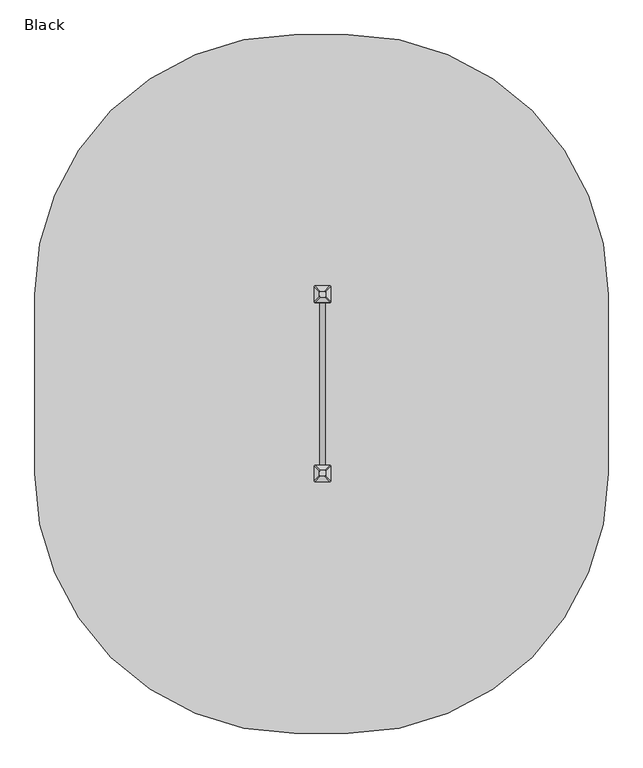
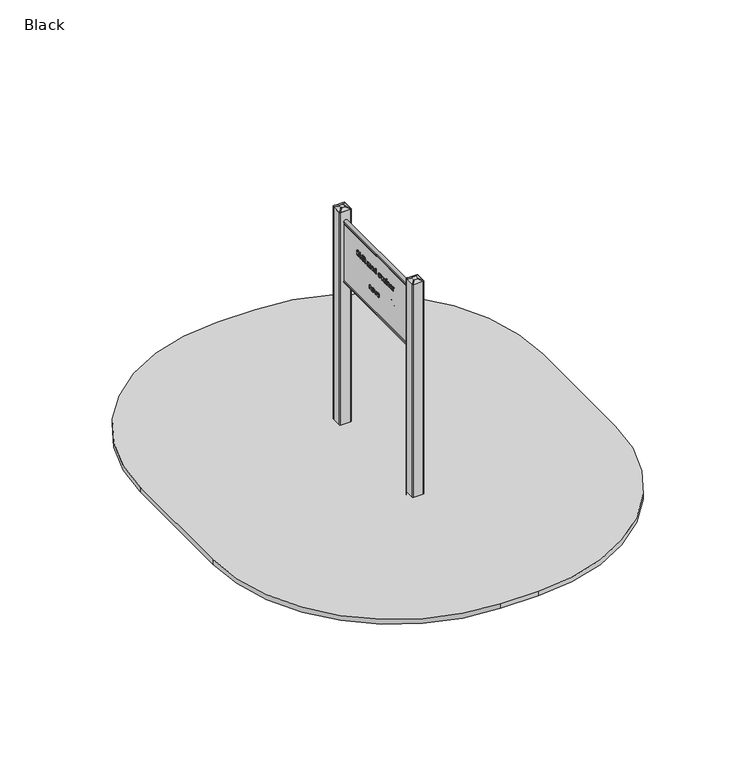
"""IFC4 building model written with IfcOpenShell, lengths in millimetres: furniture geometry, Black."""

from ifc_helpers import new_model, si_unit, point, frame, frame_2d, origin, place, context, project, spatial, polyline, circle_curve, trimmed, segment, composite_curve, outline, extrude, source, transform, mapped, element, save
from ifc_brep_helpers import plane_surface, cylinder_surface, extruded_surface, advanced_brep


def black_21d32c5f(model_context):
    return source(origin(), model_context, "Body", "SolidModel", [
        advanced_brep(
        [(17.5, -791.0000267, 1865.0), (12.5, -786.0000267, 1865.0), (-12.5, -786.0000267, 1865.0), (-17.5, -791.0000267, 1865.0), (-17.5, -816.0000267, 1865.0), (-12.5, -821.0000267, 1865.0), (12.5, -821.0000267, 1865.0), (17.5, -816.0000267, 1865.0), (47.5, -761.0000267, 1850.0), (47.5, -846.0000267, 1850.0), (42.5, -851.0000267, 1850.0), (-42.5, -851.0000267, 1850.0), (-47.5, -846.0000267, 1850.0), (-47.5, -761.0000267, 1850.0), (-42.5, -756.0000267, 1850.0), (42.5, -756.0000267, 1850.0)],
        [
            (0, 1, circle_curve(frame((12.5, -791.0000267, 1865.0), z_axis=(0.0, 0.0, 1.0), x_axis=(1.0, 0.0, 0.0)), 5.0)),
            (1, 2),
            (2, 3, circle_curve(frame((-12.5, -791.0000267, 1865.0), z_axis=(0.0, 0.0, 1.0), x_axis=(1.0, 0.0, 0.0)), 5.0)),
            (3, 4),
            (4, 5, circle_curve(frame((-12.5, -816.0000267, 1865.0), z_axis=(0.0, 0.0, 1.0), x_axis=(1.0, 0.0, 0.0)), 5.0)),
            (5, 6),
            (6, 7, circle_curve(frame((12.5, -816.0000267, 1865.0), z_axis=(0.0, 0.0, 1.0), x_axis=(1.0, 0.0, 0.0)), 5.0)),
            (7, 0),
            (8, 9),
            (9, 10, circle_curve(frame((42.5, -846.0000267, 1850.0), z_axis=(0.0, 0.0, -1.0), x_axis=(1.0, 0.0, 0.0)), 5.0)),
            (10, 11),
            (11, 12, circle_curve(frame((-42.5, -846.0000267, 1850.0), z_axis=(0.0, 0.0, -1.0), x_axis=(1.0, 0.0, 0.0)), 5.0)),
            (12, 13),
            (13, 14, circle_curve(frame((-42.5, -761.0000267, 1850.0), z_axis=(0.0, 0.0, -1.0), x_axis=(1.0, 0.0, 0.0)), 5.0)),
            (14, 15),
            (15, 8, circle_curve(frame((42.5, -761.0000267, 1850.0), z_axis=(0.0, 0.0, -1.0), x_axis=(1.0, 0.0, 0.0)), 5.0)),
            (8, 0),
            (7, 9),
            (6, 10),
            (5, 11),
            (4, 12),
            (3, 13),
            (2, 14),
            (1, 15),
        ],
        [
            plane_surface(frame((0.0, -803.5000267, 1865.0), z_axis=(0.0, 0.0, 1.0), x_axis=(-1.0, 0.0, 0.0))),
            plane_surface(frame((0.0, -803.5000267, 1850.0), z_axis=(0.0, 0.0, -1.0), x_axis=(-1.0, 0.0, 0.0))),
            plane_surface(frame((47.5, -803.5000267, 1850.0), z_axis=(0.447213595499958, 0.0, 0.894427190999916), x_axis=(0.0, -1.0, 0.0))),
            extruded_surface(trimmed(circle_curve(frame((12.5, -816.0000267, 1865.0), z_axis=(0.0, 0.0, -1.0), x_axis=(1.0, 0.0, 0.0)), 5.0), [point((17.5, -816.0000267, 1865.0))], [point((12.5, -821.0000267, 1865.0))], True, "CARTESIAN"), (30.0, -30.0, -15.0), 45.0),
            plane_surface(frame((0.0, -851.0000267, 1850.0), z_axis=(0.0, -0.447213595499958, 0.894427190999916), x_axis=(-1.0, 0.0, 0.0))),
            extruded_surface(trimmed(circle_curve(frame((-12.5, -816.0000267, 1865.0), z_axis=(0.0, 0.0, -1.0), x_axis=(1.0, 0.0, 0.0)), 5.0), [point((-12.5, -821.0000267, 1865.0))], [point((-17.5, -816.0000267, 1865.0))], True, "CARTESIAN"), (-30.0, -30.0, -15.0), 45.0),
            plane_surface(frame((-47.5, -803.5000267, 1850.0), z_axis=(-0.447213595499958, 0.0, 0.894427190999916), x_axis=(0.0, 1.0, 0.0))),
            extruded_surface(trimmed(circle_curve(frame((-12.5, -791.0000267, 1865.0), z_axis=(0.0, 0.0, -1.0), x_axis=(1.0, 0.0, 0.0)), 5.0), [point((-17.5, -791.0000267, 1865.0))], [point((-12.5, -786.0000267, 1865.0))], True, "CARTESIAN"), (-30.0, 30.0, -15.0), 45.0),
            plane_surface(frame((0.0, -756.0000267, 1850.0), z_axis=(0.0, 0.447213595499958, 0.894427190999916), x_axis=(1.0, 0.0, 0.0))),
            extruded_surface(trimmed(circle_curve(frame((12.5, -791.0000267, 1865.0), z_axis=(0.0, 0.0, -1.0), x_axis=(1.0, 0.0, 0.0)), 5.0), [point((12.5, -786.0000267, 1865.0))], [point((17.5, -791.0000267, 1865.0))], True, "CARTESIAN"), (30.0, 30.0, -15.0), 45.0),
        ],
        [
            (0, [[1, 2, 3, 4, 5, 6, 7, 8]]),
            (1, [[9, 10, 11, 12, 13, 14, 15, 16]]),
            (2, [[17, -8, 18, -9]]),
            (3, [[-18, -7, 19, -10]]),
            (4, [[-19, -6, 20, -11]]),
            (5, [[-20, -5, 21, -12]]),
            (6, [[-21, -4, 22, -13]]),
            (7, [[-22, -3, 23, -14]]),
            (8, [[-23, -2, 24, -15]]),
            (9, [[-24, -1, -17, -16]]),
        ],
    ),
        extrude(outline(composite_curve([segment(trimmed(circle_curve(frame_2d((42.5, -846.0)), 5.0), [point((47.5, -846.0))], [point((42.5, -851.0))], False, "CARTESIAN"), True, "CONTINUOUS"), segment(polyline([(42.5, -851.0), (-42.5, -851.0)]), True, "CONTINUOUS"), segment(trimmed(circle_curve(frame_2d((-42.5, -846.0)), 5.0), [point((-42.5, -851.0))], [point((-47.5, -846.0))], False, "CARTESIAN"), True, "CONTINUOUS"), segment(polyline([(-47.5, -846.0), (-47.5, -761.0)]), True, "CONTINUOUS"), segment(trimmed(circle_curve(frame_2d((-42.5, -761.0)), 5.0), [point((-47.5, -761.0))], [point((-42.5, -756.0))], False, "CARTESIAN"), True, "CONTINUOUS"), segment(polyline([(-42.5, -756.0), (42.5, -756.0)]), True, "CONTINUOUS"), segment(trimmed(circle_curve(frame_2d((42.5, -761.0)), 5.0), [point((42.5, -756.0))], [point((47.5, -761.0))], False, "CARTESIAN"), True, "CONTINUOUS"), segment(polyline([(47.5, -761.0), (47.5, -846.0)]), True, "CONTINUOUS")], self_intersect=False)), frame((0.0, 0.0, -600.0), z_axis=(0.0, 0.0, 1.0), x_axis=(1.0, 0.0, 0.0)), (0.0, 0.0, 1.0), 500.0),
        advanced_brep(
        [(90.0, -653.5, -600.0), (150.0, -713.5, -600.0), (150.0, -893.5, -600.0), (90.0, -953.5, -600.0), (-90.0, -953.5, -600.0), (-150.0, -893.5, -600.0), (-150.0, -713.5, -600.0), (-90.0, -653.5, -600.0), (-90.0, -653.5, -460.0), (90.0, -653.5, -460.0), (-150.0, -893.5, -460.0), (-150.0, -713.5, -460.0), (90.0, -953.5, -460.0), (-90.0, -953.5, -460.0), (150.0, -713.5, -460.0), (150.0, -893.5, -460.0), (-12.2959549, -730.8010597, -250.0), (-72.2959549, -790.8010597, -250.0), (-72.2959549, -816.1989403, -250.0), (-12.2959549, -876.1989403, -250.0), (12.2959549, -876.1989403, -250.0), (72.2959549, -816.1989403, -250.0), (72.2959549, -790.8010597, -250.0), (12.2959549, -730.8010597, -250.0)],
        [
            (0, 1, circle_curve(frame((90.0, -713.5, -600.0), z_axis=(0.0, 0.0, -1.0), x_axis=(1.0, 0.0, 0.0)), 60.0)),
            (1, 2),
            (2, 3, circle_curve(frame((90.0, -893.5, -600.0), z_axis=(0.0, 0.0, -1.0), x_axis=(1.0, 0.0, 0.0)), 60.0)),
            (3, 4),
            (4, 5, circle_curve(frame((-90.0, -893.5, -600.0), z_axis=(0.0, 0.0, -1.0), x_axis=(1.0, 0.0, 0.0)), 60.0)),
            (5, 6),
            (6, 7, circle_curve(frame((-90.0, -713.5, -600.0), z_axis=(0.0, 0.0, -1.0), x_axis=(1.0, 0.0, 0.0)), 60.0)),
            (7, 0),
            (7, 8),
            (8, 9),
            (9, 0),
            (5, 10),
            (10, 11),
            (11, 6),
            (3, 12),
            (12, 13),
            (13, 4),
            (1, 14),
            (14, 15),
            (15, 2),
            (16, 17, circle_curve(frame((-12.2959549, -790.8010597, -250.0), z_axis=(0.0, 0.0, 1.0), x_axis=(1.0, 0.0, 0.0)), 60.0)),
            (17, 18),
            (18, 19, circle_curve(frame((-12.2959549, -816.1989403, -250.0), z_axis=(0.0, 0.0, 1.0), x_axis=(1.0, 0.0, 0.0)), 60.0)),
            (19, 20),
            (20, 21, circle_curve(frame((12.2959549, -816.1989403, -250.0), z_axis=(0.0, 0.0, 1.0), x_axis=(1.0, 0.0, 0.0)), 60.0)),
            (21, 22),
            (22, 23, circle_curve(frame((12.2959549, -790.8010597, -250.0), z_axis=(0.0, 0.0, 1.0), x_axis=(1.0, 0.0, 0.0)), 60.0)),
            (23, 16),
            (17, 11),
            (10, 18),
            (19, 13),
            (12, 20),
            (21, 15),
            (14, 22),
            (23, 9),
            (8, 16),
            (11, 8, circle_curve(frame((-90.0, -713.5, -460.0), z_axis=(0.0, 0.0, -1.0), x_axis=(1.0, 0.0, 0.0)), 60.0)),
            (13, 10, circle_curve(frame((-90.0, -893.5, -460.0), z_axis=(0.0, 0.0, -1.0), x_axis=(1.0, 0.0, 0.0)), 60.0)),
            (15, 12, circle_curve(frame((90.0, -893.5, -460.0), z_axis=(0.0, 0.0, -1.0), x_axis=(1.0, 0.0, 0.0)), 60.0)),
            (9, 14, circle_curve(frame((90.0, -713.5, -460.0), z_axis=(0.0, 0.0, -1.0), x_axis=(1.0, 0.0, 0.0)), 60.0)),
        ],
        [
            plane_surface(frame((-176.6329682, -653.5, -600.0), z_axis=(0.0, 0.0, -1.0), x_axis=(1.0, 0.0, 0.0))),
            plane_surface(frame((90.0, -653.5, -460.0), z_axis=(0.0, 1.0, 0.0), x_axis=(0.0, 0.0, -1.0))),
            plane_surface(frame((-150.0, -713.5, -460.0), z_axis=(-1.0, 0.0, 0.0), x_axis=(0.0, 0.0, -1.0))),
            plane_surface(frame((-90.0, -953.5, -460.0), z_axis=(0.0, -1.0, 0.0), x_axis=(0.0, 0.0, -1.0))),
            plane_surface(frame((150.0, -893.5, -460.0), z_axis=(1.0, 0.0, 0.0), x_axis=(0.0, 0.0, -1.0))),
            plane_surface(frame((0.0, -803.5, -250.0), z_axis=(0.0, 0.0, 1.0), x_axis=(-1.0, 0.0, 0.0))),
            plane_surface(frame((-150.0, -803.5, -460.0), z_axis=(-0.9378559633153523, 0.0, 0.3470247715564883), x_axis=(0.0, -1.0, 0.0))),
            plane_surface(frame((0.0, -953.5, -460.0), z_axis=(0.0, -0.9384407279810882, 0.3454402988452927), x_axis=(1.0, 0.0, 0.0))),
            plane_surface(frame((150.0, -803.5, -460.0), z_axis=(0.9378559633153524, 0.0, 0.34702477155648764), x_axis=(0.0, 1.0, 0.0))),
            plane_surface(frame((0.0, -653.5, -460.0), z_axis=(0.0, 0.9384407279810884, 0.3454402988452924), x_axis=(-1.0, 0.0, 0.0))),
            cylinder_surface(frame((-90.0, -713.5, -600.0), z_axis=(0.0, 0.0, 1.0), x_axis=(1.0, 0.0, 0.0)), 60.0),
            cylinder_surface(frame((-90.0, -893.5, -600.0), z_axis=(0.0, 0.0, 1.0), x_axis=(1.0, 0.0, 0.0)), 60.0),
            cylinder_surface(frame((90.0, -893.5, -600.0), z_axis=(0.0, 0.0, 1.0), x_axis=(1.0, 0.0, 0.0)), 60.0),
            cylinder_surface(frame((90.0, -713.5, -600.0), z_axis=(0.0, 0.0, 1.0), x_axis=(1.0, 0.0, 0.0)), 60.0),
            extruded_surface(trimmed(circle_curve(frame((-90.0, -713.5, -460.0), z_axis=(0.0, 0.0, 1.0), x_axis=(1.0, 0.0, 0.0)), 60.0), [point((-90.0, -653.5, -460.0))], [point((-150.0, -713.5, -460.0))], True, "CARTESIAN"), (77.7040451, -77.3010597, 210.0), 236.8826132404947),
            extruded_surface(trimmed(circle_curve(frame((90.0, -713.5, -460.0), z_axis=(0.0, 0.0, 1.0), x_axis=(1.0, 0.0, 0.0)), 60.0), [point((150.0, -713.5, -460.0))], [point((90.0, -653.5, -460.0))], True, "CARTESIAN"), (-77.7040451, -77.3010597, 210.0), 236.8826132404947),
            extruded_surface(trimmed(circle_curve(frame((-90.0, -893.5, -460.0), z_axis=(0.0, 0.0, 1.0), x_axis=(1.0, 0.0, 0.0)), 60.0), [point((-150.0, -893.5, -460.0))], [point((-90.0, -953.5, -460.0))], True, "CARTESIAN"), (77.7040451, 77.3010597, 210.0), 236.8826132404947),
            extruded_surface(trimmed(circle_curve(frame((90.0, -893.5, -460.0), z_axis=(0.0, 0.0, 1.0), x_axis=(1.0, 0.0, 0.0)), 60.0), [point((90.0, -953.5, -460.0))], [point((150.0, -893.5, -460.0))], True, "CARTESIAN"), (-77.7040451, 77.3010597, 210.0), 236.8826132404947),
        ],
        [
            (0, [[1, 2, 3, 4, 5, 6, 7, 8]]),
            (1, [[-8, 9, 10, 11]]),
            (2, [[-6, 12, 13, 14]]),
            (3, [[-4, 15, 16, 17]]),
            (4, [[-2, 18, 19, 20]]),
            (5, [[21, 22, 23, 24, 25, 26, 27, 28]]),
            (6, [[-22, 29, -13, 30]]),
            (7, [[-24, 31, -16, 32]]),
            (8, [[-26, 33, -19, 34]]),
            (9, [[-28, 35, -10, 36]]),
            (10, [[-7, -14, 37, -9]]),
            (11, [[-5, -17, 38, -12]]),
            (12, [[-3, -20, 39, -15]]),
            (13, [[-1, -11, 40, -18]]),
            (14, [[-21, -36, -37, -29]]),
            (15, [[-27, -34, -40, -35]]),
            (16, [[-23, -30, -38, -31]]),
            (17, [[-25, -32, -39, -33]]),
        ],
    ),
        advanced_brep(
        [(17.4634952, 220.5, 1865.0), (17.4634952, 245.5, 1865.0), (12.4634952, 250.5, 1865.0), (-12.5365048, 250.5, 1865.0), (-17.5365048, 245.5, 1865.0), (-17.5365048, 220.5, 1865.0), (-12.5365048, 215.5, 1865.0), (12.4634952, 215.5, 1865.0), (47.4634952, 190.5, 1850.0), (42.4634952, 185.5, 1850.0), (-42.5365048, 185.5, 1850.0), (-47.5365048, 190.5, 1850.0), (-47.5365048, 275.5, 1850.0), (-42.5365048, 280.5, 1850.0), (42.4634952, 280.5, 1850.0), (47.4634952, 275.5, 1850.0)],
        [
            (0, 1),
            (1, 2, circle_curve(frame((12.4634952, 245.5, 1865.0), z_axis=(0.0, 0.0, 1.0), x_axis=(1.0, 0.0, 0.0)), 5.0)),
            (2, 3),
            (3, 4, circle_curve(frame((-12.5365048, 245.5, 1865.0), z_axis=(0.0, 0.0, 1.0), x_axis=(1.0, 0.0, 0.0)), 5.0)),
            (4, 5),
            (5, 6, circle_curve(frame((-12.5365048, 220.5, 1865.0), z_axis=(0.0, 0.0, 1.0), x_axis=(1.0, 0.0, 0.0)), 5.0)),
            (6, 7),
            (7, 0, circle_curve(frame((12.4634952, 220.5, 1865.0), z_axis=(0.0, 0.0, 1.0), x_axis=(1.0, 0.0, 0.0)), 5.0)),
            (8, 9, circle_curve(frame((42.4634952, 190.5, 1850.0), z_axis=(0.0, 0.0, -1.0), x_axis=(1.0, 0.0, 0.0)), 5.0)),
            (9, 10),
            (10, 11, circle_curve(frame((-42.5365048, 190.5, 1850.0), z_axis=(0.0, 0.0, -1.0), x_axis=(1.0, 0.0, 0.0)), 5.0)),
            (11, 12),
            (12, 13, circle_curve(frame((-42.5365048, 275.5, 1850.0), z_axis=(0.0, 0.0, -1.0), x_axis=(1.0, 0.0, 0.0)), 5.0)),
            (13, 14),
            (14, 15, circle_curve(frame((42.4634952, 275.5, 1850.0), z_axis=(0.0, 0.0, -1.0), x_axis=(1.0, 0.0, 0.0)), 5.0)),
            (15, 8),
            (15, 1),
            (0, 8),
            (14, 2),
            (13, 3),
            (12, 4),
            (11, 5),
            (10, 6),
            (9, 7),
        ],
        [
            plane_surface(frame((-0.0365048, 233.0, 1865.0), z_axis=(0.0, 0.0, 1.0), x_axis=(-1.0, 0.0, 0.0))),
            plane_surface(frame((-0.0365048, 233.0, 1850.0), z_axis=(0.0, 0.0, -1.0), x_axis=(-1.0, 0.0, 0.0))),
            plane_surface(frame((47.4634952, 233.0, 1850.0), z_axis=(0.447213595499958, 0.0, 0.894427190999916), x_axis=(0.0, 1.0, 0.0))),
            extruded_surface(trimmed(circle_curve(frame((42.4634952, 275.5, 1850.0), z_axis=(0.0, 0.0, 1.0), x_axis=(1.0, 0.0, 0.0)), 5.0), [point((47.4634952, 275.5, 1850.0))], [point((42.4634952, 280.5, 1850.0))], True, "CARTESIAN"), (-29.999999999999996, -30.0, 15.0), 45.0),
            plane_surface(frame((-0.0365048, 280.5, 1850.0), z_axis=(0.0, 0.447213595499958, 0.894427190999916), x_axis=(-1.0, 0.0, 0.0))),
            extruded_surface(trimmed(circle_curve(frame((-42.5365048, 275.5, 1850.0), z_axis=(0.0, 0.0, 1.0), x_axis=(1.0, 0.0, 0.0)), 5.0), [point((-42.5365048, 280.5, 1850.0))], [point((-47.5365048, 275.5, 1850.0))], True, "CARTESIAN"), (30.000000000000004, -30.0, 15.0), 45.0),
            plane_surface(frame((-47.5365048, 233.0, 1850.0), z_axis=(-0.447213595499958, 0.0, 0.894427190999916), x_axis=(0.0, -1.0, 0.0))),
            extruded_surface(trimmed(circle_curve(frame((-42.5365048, 190.5, 1850.0), z_axis=(0.0, 0.0, 1.0), x_axis=(1.0, 0.0, 0.0)), 5.0), [point((-47.5365048, 190.5, 1850.0))], [point((-42.5365048, 185.5, 1850.0))], True, "CARTESIAN"), (30.000000000000004, 30.0, 15.0), 45.0),
            plane_surface(frame((-0.0365048, 185.5, 1850.0), z_axis=(0.0, -0.447213595499958, 0.894427190999916), x_axis=(1.0, 0.0, 0.0))),
            extruded_surface(trimmed(circle_curve(frame((42.4634952, 190.5, 1850.0), z_axis=(0.0, 0.0, 1.0), x_axis=(1.0, 0.0, 0.0)), 5.0), [point((42.4634952, 185.5, 1850.0))], [point((47.4634952, 190.5, 1850.0))], True, "CARTESIAN"), (-29.999999999999996, 30.0, 15.0), 45.0),
        ],
        [
            (0, [[1, 2, 3, 4, 5, 6, 7, 8]]),
            (1, [[9, 10, 11, 12, 13, 14, 15, 16]]),
            (2, [[-16, 17, -1, 18]]),
            (3, [[-15, 19, -2, -17]]),
            (4, [[-14, 20, -3, -19]]),
            (5, [[-13, 21, -4, -20]]),
            (6, [[-12, 22, -5, -21]]),
            (7, [[-11, 23, -6, -22]]),
            (8, [[-10, 24, -7, -23]]),
            (9, [[-9, -18, -8, -24]]),
        ],
    ),
        extrude(outline(composite_curve([segment(trimmed(circle_curve(frame_2d((42.5, 188.0)), 5.0), [point((47.5, 188.0))], [point((42.5, 183.0))], False, "CARTESIAN"), True, "CONTINUOUS"), segment(polyline([(42.5, 183.0), (-42.5, 183.0)]), True, "CONTINUOUS"), segment(trimmed(circle_curve(frame_2d((-42.5, 188.0)), 5.0), [point((-42.5, 183.0))], [point((-47.5, 188.0))], False, "CARTESIAN"), True, "CONTINUOUS"), segment(polyline([(-47.5, 188.0), (-47.5, 273.0)]), True, "CONTINUOUS"), segment(trimmed(circle_curve(frame_2d((-42.5, 273.0)), 5.0), [point((-47.5, 273.0))], [point((-42.5, 278.0))], False, "CARTESIAN"), True, "CONTINUOUS"), segment(polyline([(-42.5, 278.0), (42.5, 278.0)]), True, "CONTINUOUS"), segment(trimmed(circle_curve(frame_2d((42.5, 273.0)), 5.0), [point((42.5, 278.0))], [point((47.5, 273.0))], False, "CARTESIAN"), True, "CONTINUOUS"), segment(polyline([(47.5, 273.0), (47.5, 188.0)]), True, "CONTINUOUS")], self_intersect=False)), frame((0.0, 0.0, -600.0), z_axis=(0.0, 0.0, 1.0), x_axis=(1.0, 0.0, 0.0)), (0.0, 0.0, 1.0), 500.0),
        advanced_brep(
        [(90.0, 380.5, -600.0), (150.0, 320.5, -600.0), (150.0, 140.5, -600.0), (90.0, 80.5, -600.0), (-90.0, 80.5, -600.0), (-150.0, 140.5, -600.0), (-150.0, 320.5, -600.0), (-90.0, 380.5, -600.0), (-90.0, 380.5, -460.0), (90.0, 380.5, -460.0), (-150.0, 140.5, -460.0), (-150.0, 320.5, -460.0), (90.0, 80.5, -460.0), (-90.0, 80.5, -460.0), (150.0, 320.5, -460.0), (150.0, 140.5, -460.0), (-12.2959549, 303.1989403, -250.0), (-72.2959549, 243.1989403, -250.0), (-72.2959549, 217.8010597, -250.0), (-12.2959549, 157.8010597, -250.0), (12.2959549, 157.8010597, -250.0), (72.2959549, 217.8010597, -250.0), (72.2959549, 243.1989403, -250.0), (12.2959549, 303.1989403, -250.0)],
        [
            (0, 1, circle_curve(frame((90.0, 320.5, -600.0), z_axis=(0.0, 0.0, -1.0), x_axis=(1.0, 0.0, 0.0)), 60.0)),
            (1, 2),
            (2, 3, circle_curve(frame((90.0, 140.5, -600.0), z_axis=(0.0, 0.0, -1.0), x_axis=(1.0, 0.0, 0.0)), 60.0)),
            (3, 4),
            (4, 5, circle_curve(frame((-90.0, 140.5, -600.0), z_axis=(0.0, 0.0, -1.0), x_axis=(1.0, 0.0, 0.0)), 60.0)),
            (5, 6),
            (6, 7, circle_curve(frame((-90.0, 320.5, -600.0), z_axis=(0.0, 0.0, -1.0), x_axis=(1.0, 0.0, 0.0)), 60.0)),
            (7, 0),
            (7, 8),
            (8, 9),
            (9, 0),
            (5, 10),
            (10, 11),
            (11, 6),
            (3, 12),
            (12, 13),
            (13, 4),
            (1, 14),
            (14, 15),
            (15, 2),
            (16, 17, circle_curve(frame((-12.2959549, 243.1989403, -250.0), z_axis=(0.0, 0.0, 1.0), x_axis=(1.0, 0.0, 0.0)), 60.0)),
            (17, 18),
            (18, 19, circle_curve(frame((-12.2959549, 217.8010597, -250.0), z_axis=(0.0, 0.0, 1.0), x_axis=(1.0, 0.0, 0.0)), 60.0)),
            (19, 20),
            (20, 21, circle_curve(frame((12.2959549, 217.8010597, -250.0), z_axis=(0.0, 0.0, 1.0), x_axis=(1.0, 0.0, 0.0)), 60.0)),
            (21, 22),
            (22, 23, circle_curve(frame((12.2959549, 243.1989403, -250.0), z_axis=(0.0, 0.0, 1.0), x_axis=(1.0, 0.0, 0.0)), 60.0)),
            (23, 16),
            (17, 11),
            (10, 18),
            (19, 13),
            (12, 20),
            (21, 15),
            (14, 22),
            (23, 9),
            (8, 16),
            (11, 8, circle_curve(frame((-90.0, 320.5, -460.0), z_axis=(0.0, 0.0, -1.0), x_axis=(1.0, 0.0, 0.0)), 60.0)),
            (13, 10, circle_curve(frame((-90.0, 140.5, -460.0), z_axis=(0.0, 0.0, -1.0), x_axis=(1.0, 0.0, 0.0)), 60.0)),
            (15, 12, circle_curve(frame((90.0, 140.5, -460.0), z_axis=(0.0, 0.0, -1.0), x_axis=(1.0, 0.0, 0.0)), 60.0)),
            (9, 14, circle_curve(frame((90.0, 320.5, -460.0), z_axis=(0.0, 0.0, -1.0), x_axis=(1.0, 0.0, 0.0)), 60.0)),
        ],
        [
            plane_surface(frame((-176.6329682, 380.5, -600.0), z_axis=(0.0, 0.0, -1.0), x_axis=(1.0, 0.0, 0.0))),
            plane_surface(frame((90.0, 380.5, -460.0), z_axis=(0.0, 1.0, 0.0), x_axis=(0.0, 0.0, -1.0))),
            plane_surface(frame((-150.0, 320.5, -460.0), z_axis=(-1.0, 0.0, 0.0), x_axis=(0.0, 0.0, -1.0))),
            plane_surface(frame((-90.0, 80.5, -460.0), z_axis=(0.0, -1.0, 0.0), x_axis=(0.0, 0.0, -1.0))),
            plane_surface(frame((150.0, 140.5, -460.0), z_axis=(1.0, 0.0, 0.0), x_axis=(0.0, 0.0, -1.0))),
            plane_surface(frame((0.0, 230.5, -250.0), z_axis=(0.0, 0.0, 1.0), x_axis=(-1.0, 0.0, 0.0))),
            plane_surface(frame((-150.0, 230.5, -460.0), z_axis=(-0.9378559633153523, 0.0, 0.3470247715564883), x_axis=(0.0, -1.0, 0.0))),
            plane_surface(frame((0.0, 80.5, -460.0), z_axis=(0.0, -0.9384407279810882, 0.3454402988452927), x_axis=(1.0, 0.0, 0.0))),
            plane_surface(frame((150.0, 230.5, -460.0), z_axis=(0.9378559633153524, 0.0, 0.34702477155648764), x_axis=(0.0, 1.0, 0.0))),
            plane_surface(frame((0.0, 380.5, -460.0), z_axis=(0.0, 0.9384407279810884, 0.3454402988452924), x_axis=(-1.0, 0.0, 0.0))),
            cylinder_surface(frame((-90.0, 320.5, -600.0), z_axis=(0.0, 0.0, 1.0), x_axis=(1.0, 0.0, 0.0)), 60.0),
            cylinder_surface(frame((-90.0, 140.5, -600.0), z_axis=(0.0, 0.0, 1.0), x_axis=(1.0, 0.0, 0.0)), 60.0),
            cylinder_surface(frame((90.0, 140.5, -600.0), z_axis=(0.0, 0.0, 1.0), x_axis=(1.0, 0.0, 0.0)), 60.0),
            cylinder_surface(frame((90.0, 320.5, -600.0), z_axis=(0.0, 0.0, 1.0), x_axis=(1.0, 0.0, 0.0)), 60.0),
            extruded_surface(trimmed(circle_curve(frame((-90.0, 320.5, -460.0), z_axis=(0.0, 0.0, 1.0), x_axis=(1.0, 0.0, 0.0)), 60.0), [point((-90.0, 380.5, -460.0))], [point((-150.0, 320.5, -460.0))], True, "CARTESIAN"), (77.7040451, -77.3010597, 210.0), 236.8826132404947),
            extruded_surface(trimmed(circle_curve(frame((90.0, 320.5, -460.0), z_axis=(0.0, 0.0, 1.0), x_axis=(1.0, 0.0, 0.0)), 60.0), [point((150.0, 320.5, -460.0))], [point((90.0, 380.5, -460.0))], True, "CARTESIAN"), (-77.7040451, -77.3010597, 210.0), 236.8826132404947),
            extruded_surface(trimmed(circle_curve(frame((-90.0, 140.5, -460.0), z_axis=(0.0, 0.0, 1.0), x_axis=(1.0, 0.0, 0.0)), 60.0), [point((-150.0, 140.5, -460.0))], [point((-90.0, 80.5, -460.0))], True, "CARTESIAN"), (77.7040451, 77.3010597, 210.0), 236.8826132404947),
            extruded_surface(trimmed(circle_curve(frame((90.0, 140.5, -460.0), z_axis=(0.0, 0.0, 1.0), x_axis=(1.0, 0.0, 0.0)), 60.0), [point((90.0, 80.5, -460.0))], [point((150.0, 140.5, -460.0))], True, "CARTESIAN"), (-77.7040451, 77.3010597, 210.0), 236.8826132404947),
        ],
        [
            (0, [[1, 2, 3, 4, 5, 6, 7, 8]]),
            (1, [[-8, 9, 10, 11]]),
            (2, [[-6, 12, 13, 14]]),
            (3, [[-4, 15, 16, 17]]),
            (4, [[-2, 18, 19, 20]]),
            (5, [[21, 22, 23, 24, 25, 26, 27, 28]]),
            (6, [[-22, 29, -13, 30]]),
            (7, [[-24, 31, -16, 32]]),
            (8, [[-26, 33, -19, 34]]),
            (9, [[-28, 35, -10, 36]]),
            (10, [[-7, -14, 37, -9]]),
            (11, [[-5, -17, 38, -12]]),
            (12, [[-3, -20, 39, -15]]),
            (13, [[-1, -11, 40, -18]]),
            (14, [[-21, -36, -37, -29]]),
            (15, [[-27, -34, -40, -35]]),
            (16, [[-23, -30, -38, -31]]),
            (17, [[-25, -32, -39, -33]]),
        ],
    ),
        extrude(outline(composite_curve([segment(trimmed(circle_curve(frame_2d((-464.2640897, 1420.8309906)), 35.7692308), [point((-500.0333204, 1420.8309906))], [point((-428.4948589, 1420.8309906))], False, "CARTESIAN"), True, "CONTINUOUS"), segment(trimmed(circle_curve(frame_2d((-464.2640897, 1420.8309906)), 35.7692308), [point((-428.4948589, 1420.8309906))], [point((-500.0333204, 1420.8309906))], False, "CARTESIAN"), True, "CONTINUOUS")], self_intersect=False), holes=[composite_curve([segment(polyline([(-475.592446, 1429.7967985), (-486.3634491, 1429.7967985)]), True, "CONTINUOUS"), segment(trimmed(circle_curve(frame_2d((-486.3634491, 1426.8155371)), 2.9812614), [point((-486.3634491, 1429.7967985))], [point((-486.3634491, 1423.8342758))], True, "CARTESIAN"), True, "CONTINUOUS"), segment(polyline([(-486.3634491, 1423.8342758), (-480.6281824, 1423.8342758)]), True, "CONTINUOUS"), segment(trimmed(circle_curve(frame_2d((-480.6281824, 1421.5265834)), 2.3076923), [point((-480.6281824, 1423.8342758))], [point((-478.459661, 1420.7373062))], False, "CARTESIAN"), True, "CONTINUOUS"), segment(polyline([(-478.459661, 1420.7373062), (-482.9080511, 1408.5154549)]), True, "CONTINUOUS"), segment(trimmed(circle_curve(frame_2d((-479.4120722, 1408.7962743)), 3.5072394), [point((-482.9080511, 1408.5154549))], [point((-476.1163452, 1407.5967278))], True, "CARTESIAN"), True, "CONTINUOUS"), segment(polyline([(-476.1163452, 1407.5967278), (-474.0603029, 1413.2456577)]), True, "CONTINUOUS"), segment(trimmed(circle_curve(frame_2d((-472.6548068, 1412.7340989)), 1.4956977), [point((-474.0603029, 1413.2456577))], [point((-471.2493106, 1413.2456577))], False, "CARTESIAN"), True, "CONTINUOUS"), segment(polyline([(-471.2493106, 1413.2456577), (-469.1932683, 1407.5967278)]), True, "CONTINUOUS"), segment(trimmed(circle_curve(frame_2d((-465.8975413, 1408.7962743)), 3.5072394), [point((-469.1932683, 1407.5967278))], [point((-462.4015624, 1408.5154549))], True, "CARTESIAN"), True, "CONTINUOUS"), segment(polyline([(-462.4015624, 1408.5154549), (-466.8499525, 1420.7373062)]), True, "CONTINUOUS"), segment(trimmed(circle_curve(frame_2d((-464.6814311, 1421.5265834)), 2.3076923), [point((-466.8499525, 1420.7373062))], [point((-464.6814311, 1423.8342758))], False, "CARTESIAN"), True, "CONTINUOUS"), segment(polyline([(-464.6814311, 1423.8342758), (-458.9461644, 1423.8342758)]), True, "CONTINUOUS"), segment(trimmed(circle_curve(frame_2d((-455.4121003, 1428.4967719)), 5.850511), [point((-458.9461644, 1423.8342758))], [point((-461.1163452, 1429.7967985))], False, "CARTESIAN"), True, "CONTINUOUS"), segment(polyline([(-461.1163452, 1429.7967985), (-470.060909, 1429.7967985)]), True, "CONTINUOUS"), segment(trimmed(circle_curve(frame_2d((-472.8266775, 1436.1434133)), 6.9230769), [point((-470.060909, 1429.7967985))], [point((-475.592446, 1429.7967985))], True, "CARTESIAN"), True, "CONTINUOUS")], self_intersect=False), composite_curve([segment(polyline([(-455.6163106, 1423.4102911), (-464.1272858, 1423.4102911)]), True, "CONTINUOUS"), segment(trimmed(circle_curve(frame_2d((-462.4752202, 1420.5256757)), 3.3242031), [point((-464.1272858, 1423.4102911))], [point((-464.1272858, 1417.6410603))], True, "CARTESIAN"), True, "CONTINUOUS"), segment(polyline([(-464.1272858, 1417.6410603), (-457.2042088, 1417.6410603), (-462.334511, 1403.545671)]), True, "CONTINUOUS"), segment(trimmed(circle_curve(frame_2d((-454.6338858, 1415.9044697)), 14.5615774), [point((-462.334511, 1403.545671))], [point((-452.5888242, 1401.4872141))], True, "CARTESIAN"), True, "CONTINUOUS"), segment(trimmed(circle_curve(frame_2d((-450.5437627, 1415.9044697)), 14.5615774), [point((-452.5888242, 1401.4872141))], [point((-442.8431375, 1403.545671))], True, "CARTESIAN"), True, "CONTINUOUS"), segment(polyline([(-442.8431375, 1403.545671), (-447.9734396, 1417.6410603), (-441.0503627, 1417.6410603)]), True, "CONTINUOUS"), segment(trimmed(circle_curve(frame_2d((-442.7024283, 1420.5256757)), 3.3242031), [point((-441.0503627, 1417.6410603))], [point((-441.0503627, 1423.4102911))], True, "CARTESIAN"), True, "CONTINUOUS"), segment(polyline([(-441.0503627, 1423.4102911), (-449.7386144, 1423.4102911)]), True, "CONTINUOUS"), segment(trimmed(circle_curve(frame_2d((-452.6774625, 1429.6786374)), 6.9230769), [point((-449.7386144, 1423.4102911))], [point((-455.6163106, 1423.4102911))], True, "CARTESIAN"), True, "CONTINUOUS")], self_intersect=False)]), frame((13.999993, 0.0, 0.0), z_axis=(1.0, 0.0, 0.0), x_axis=(0.0, 1.0, 0.0)), (0.0, 0.0, 1.0), 2.000007),
        extrude(outline(composite_curve([segment(trimmed(circle_curve(frame_2d((-464.2363984, 1420.7787604)), 43.8461538), [point((-448.115827, 1380.0036162))], [point((-423.1668547, 1405.4237031))], False, "CARTESIAN"), True, "CONTINUOUS"), segment(trimmed(circle_curve(frame_2d((-397.9120161, 1400.4983372)), 25.7306452), [point((-423.1668547, 1405.4237031))], [point((-422.7659108, 1393.8387562))], True, "CARTESIAN"), True, "CONTINUOUS"), segment(polyline([(-422.7659108, 1393.8387562), (-418.5849878, 1378.235339), (-433.0738752, 1382.1176247)]), True, "CONTINUOUS"), segment(trimmed(circle_curve(frame_2d((-432.1544338, 1321.003931)), 61.1206097), [point((-433.0738752, 1382.1176247))], [point((-448.115827, 1380.0036162))], True, "CARTESIAN"), True, "CONTINUOUS")], self_intersect=False), holes=[composite_curve([segment(trimmed(circle_curve(frame_2d((-464.2363984, 1420.7787604)), 36.9230769), [point((-501.1594754, 1420.7787604))], [point((-427.3133215, 1420.7787604))], True, "CARTESIAN"), True, "CONTINUOUS"), segment(trimmed(circle_curve(frame_2d((-464.2363984, 1420.7787604)), 36.9230769), [point((-427.3133215, 1420.7787604))], [point((-501.1594754, 1420.7787604))], True, "CARTESIAN"), True, "CONTINUOUS")], self_intersect=False)]), frame((13.999993, 0.0, 0.0), z_axis=(1.0, 0.0, 0.0), x_axis=(0.0, 1.0, 0.0)), (0.0, 0.0, 1.0), 2.000007),
        extrude(outline(polyline([(13.999993, 183.0), (13.999993, -756.0), (-14.000007, -756.0), (-14.000007, 183.0), (13.999993, 183.0)])), frame((0.0, 0.0, 1255.9989043), z_axis=(0.0, 0.0, 1.0), x_axis=(1.0, 0.0, 0.0)), (0.0, 0.0, 1.0), 487.9932082),
        extrude(outline(composite_curve([segment(trimmed(circle_curve(frame_2d((1760.0, 0.0)), 16.0), [point((1760.0, 16.0))], [point((1760.0, -16.0))], False, "CARTESIAN"), True, "CONTINUOUS"), segment(trimmed(circle_curve(frame_2d((1760.0, 0.0)), 16.0), [point((1760.0, -16.0))], [point((1760.0, 16.0))], False, "CARTESIAN"), True, "CONTINUOUS")], self_intersect=False)), frame((0.0, -756.0, 0.0), z_axis=(0.0, 1.0, 0.0), x_axis=(0.0, 0.0, 1.0)), (0.0, 0.0, 1.0), 939.0),
        extrude(outline(composite_curve([segment(trimmed(circle_curve(frame_2d((1240.0, 0.0)), 16.0), [point((1240.0, 16.0))], [point((1240.0, -16.0))], False, "CARTESIAN"), True, "CONTINUOUS"), segment(trimmed(circle_curve(frame_2d((1240.0, 0.0)), 16.0), [point((1240.0, -16.0))], [point((1240.0, 16.0))], False, "CARTESIAN"), True, "CONTINUOUS")], self_intersect=False)), frame((0.0, -756.0, 0.0), z_axis=(0.0, 1.0, 0.0), x_axis=(0.0, 0.0, 1.0)), (0.0, 0.0, 1.0), 939.0),
        extrude(outline(composite_curve([segment(trimmed(circle_curve(frame_2d((-42.5, -846.0000267)), 5.0), [point((-42.5, -851.0000267))], [point((-47.5, -846.0000267))], False, "CARTESIAN"), True, "CONTINUOUS"), segment(polyline([(-47.5, -846.0000267), (-47.5, -761.0000267)]), True, "CONTINUOUS"), segment(trimmed(circle_curve(frame_2d((-42.5, -761.0000267)), 5.0), [point((-47.5, -761.0000267))], [point((-42.5, -756.0000267))], False, "CARTESIAN"), True, "CONTINUOUS"), segment(polyline([(-42.5, -756.0000267), (42.5, -756.0000267)]), True, "CONTINUOUS"), segment(trimmed(circle_curve(frame_2d((42.5, -761.0000267)), 5.0), [point((42.5, -756.0000267))], [point((47.5, -761.0000267))], False, "CARTESIAN"), True, "CONTINUOUS"), segment(polyline([(47.5, -761.0000267), (47.5, -846.0000267)]), True, "CONTINUOUS"), segment(trimmed(circle_curve(frame_2d((42.5, -846.0000267)), 5.0), [point((47.5, -846.0000267))], [point((42.5, -851.0000267))], False, "CARTESIAN"), True, "CONTINUOUS"), segment(polyline([(42.5, -851.0000267), (-42.5, -851.0000267)]), True, "CONTINUOUS")], self_intersect=False)), frame((0.0, 0.0, -100.0), z_axis=(0.0, 0.0, 1.0), x_axis=(1.0, 0.0, 0.0)), (0.0, 0.0, 1.0), 1950.0),
        extrude(outline(composite_curve([segment(trimmed(circle_curve(frame_2d((150.0, 230.5)), 1500.0), [point((150.0, 1730.5))], [point((1650.0, 230.5))], False, "CARTESIAN"), True, "CONTINUOUS"), segment(polyline([(1650.0, 230.5), (1650.0, -803.5)]), True, "CONTINUOUS"), segment(trimmed(circle_curve(frame_2d((150.0, -803.5)), 1500.0), [point((1650.0, -803.5))], [point((150.0, -2303.5))], False, "CARTESIAN"), True, "CONTINUOUS"), segment(polyline([(150.0, -2303.5), (-162.0, -2303.5)]), True, "CONTINUOUS"), segment(trimmed(circle_curve(frame_2d((-162.0, -803.5)), 1500.0), [point((-162.0, -2303.5))], [point((-1662.0, -803.5))], False, "CARTESIAN"), True, "CONTINUOUS"), segment(polyline([(-1662.0, -803.5), (-1662.0, 230.5)]), True, "CONTINUOUS"), segment(trimmed(circle_curve(frame_2d((-162.0, 230.5)), 1500.0), [point((-1662.0, 230.5))], [point((-162.0, 1730.5))], False, "CARTESIAN"), True, "CONTINUOUS"), segment(polyline([(-162.0, 1730.5), (150.0, 1730.5)]), True, "CONTINUOUS")], self_intersect=False)), frame((0.0, 0.0, -40.0), z_axis=(0.0, 0.0, 1.0), x_axis=(1.0, 0.0, 0.0)), (0.0, 0.0, 1.0), 41.0),
        extrude(outline(composite_curve([segment(polyline([(-42.5, 278.0), (42.5, 278.0)]), True, "CONTINUOUS"), segment(trimmed(circle_curve(frame_2d((42.5, 273.0)), 5.0), [point((42.5, 278.0))], [point((47.5, 273.0))], False, "CARTESIAN"), True, "CONTINUOUS"), segment(polyline([(47.5, 273.0), (47.5, 188.0)]), True, "CONTINUOUS"), segment(trimmed(circle_curve(frame_2d((42.5, 188.0)), 5.0), [point((47.5, 188.0))], [point((42.5, 183.0))], False, "CARTESIAN"), True, "CONTINUOUS"), segment(polyline([(42.5, 183.0), (-42.5, 183.0)]), True, "CONTINUOUS"), segment(trimmed(circle_curve(frame_2d((-42.5, 188.0)), 5.0), [point((-42.5, 183.0))], [point((-47.5, 188.0))], False, "CARTESIAN"), True, "CONTINUOUS"), segment(polyline([(-47.5, 188.0), (-47.5, 273.0)]), True, "CONTINUOUS"), segment(trimmed(circle_curve(frame_2d((-42.5, 273.0)), 5.0), [point((-47.5, 273.0))], [point((-42.5, 278.0))], False, "CARTESIAN"), True, "CONTINUOUS")], self_intersect=False)), frame((0.0, 0.0, -100.0), z_axis=(0.0, 0.0, 1.0), x_axis=(1.0, 0.0, 0.0)), (0.0, 0.0, 1.0), 1950.0),
        extrude(outline(polyline([(-2.2478421, 1603.3628062), (-4.9579061, 1593.7733489), (-12.0518972, 1587.4212531), (-23.2661667, 1585.312063), (-32.7636536, 1587.2679689), (-39.2383767, 1592.7494106), (-41.4885882, 1600.2603347), (-39.5326823, 1607.3604572), (-33.456498, 1612.4494915), (-22.3464617, 1615.6010139), (-12.0948168, 1619.1081556), (-10.0959913, 1623.4614259), (-12.9164199, 1628.6730875), (-21.9050033, 1630.8313285), (-30.8690613, 1628.648562), (-34.4252539, 1622.1983643), (-40.7037733, 1622.1983643), (-38.2144385, 1630.0587763), (-31.5925626, 1635.3194888), (-21.6597487, 1637.1098479), (-12.3523342, 1635.3991966), (-5.9941071, 1630.3837387), (-3.8174719, 1623.2774849), (-5.5771741, 1617.0357537), (-10.9175944, 1612.3636523), (-20.7584378, 1609.2673122), (-29.9003054, 1606.8699479), (-34.1677365, 1604.0188624), (-35.2100688, 1600.1009192), (-33.8182486, 1595.8886703), (-29.5814743, 1592.7371479), (-23.0209121, 1591.5905824), (-15.4915939, 1593.1050299), (-10.5497124, 1597.0781554), (-8.5263615, 1603.3628062), (-2.2478421, 1603.3628062)])), frame((-16.000007, 0.0, 0.0), z_axis=(1.0, 0.0, 0.0), x_axis=(0.0, 1.0, 0.0)), (0.0, 0.0, 1.0), 2.0),
        extrude(outline(polyline([(-50.1215524, 1586.0968779), (-56.4000718, 1586.0968779), (-56.4000718, 1600.9102596), (-60.4099855, 1604.797546), (-72.611405, 1586.0968779), (-79.9445195, 1586.0968779), (-64.9104086, 1609.163079), (-79.1597045, 1622.9831793), (-70.4776894, 1622.9831793), (-56.4000718, 1609.3347573), (-56.4000718, 1636.325033), (-50.1215524, 1636.325033), (-50.1215524, 1586.0968779)])), frame((-16.000007, 0.0, 0.0), z_axis=(1.0, 0.0, 0.0), x_axis=(0.0, 1.0, 0.0)), (0.0, 0.0, 1.0), 2.0),
        extrude(outline(polyline([(-16.000007, -91.7167433), (-16.000007, -85.4382239), (-14.000007, -85.4382239), (-14.000007, -91.7167433), (-16.000007, -91.7167433)])), frame((0.0, 0.0, 1630.0465136), z_axis=(0.0, 0.0, 1.0), x_axis=(1.0, 0.0, 0.0)), (0.0, 0.0, 1.0), 6.2785194),
        extrude(outline(polyline([(-16.000007, -91.7167433), (-16.000007, -85.4382239), (-14.000007, -85.4382239), (-14.000007, -91.7167433), (-16.000007, -91.7167433)])), frame((0.0, 0.0, 1586.0968779), z_axis=(0.0, 0.0, 1.0), x_axis=(1.0, 0.0, 0.0)), (0.0, 0.0, 1.0), 36.8863014),
        extrude(outline(polyline([(-16.000007, -107.4130418), (-16.000007, -101.1345224), (-14.000007, -101.1345224), (-14.000007, -107.4130418), (-16.000007, -107.4130418)])), frame((0.0, 0.0, 1586.0968779), z_axis=(0.0, 0.0, 1.0), x_axis=(1.0, 0.0, 0.0)), (0.0, 0.0, 1.0), 50.2281551),
        extrude(outline(polyline([(-130.1726745, 1591.333065), (-127.438085, 1591.5905824), (-124.2252489, 1593.1602122), (-123.8941551, 1596.3975738), (-123.8941551, 1616.7046599), (-130.1726745, 1616.7046599), (-130.1726745, 1622.9831793), (-123.8941551, 1622.9831793), (-123.8941551, 1635.6383199), (-117.6156358, 1631.9472372), (-117.6156358, 1622.9831793), (-112.9067462, 1622.9831793), (-112.9067462, 1616.7046599), (-117.6156358, 1616.7046599), (-117.6156358, 1596.2136328), (-118.3759252, 1589.0889848), (-121.0001501, 1586.3543953), (-126.2608626, 1585.312063), (-130.9574895, 1585.9129369), (-130.1726745, 1591.333065)])), frame((-16.000007, 0.0, 0.0), z_axis=(1.0, 0.0, 0.0), x_axis=(0.0, 1.0, 0.0)), (0.0, 0.0, 1.0), 2.0),
        extrude(outline(polyline([(-156.071567, 1586.0968779), (-162.3500864, 1586.0968779), (-162.3500864, 1604.6994441), (-163.3065796, 1612.1919741), (-166.3967883, 1616.1405742), (-171.0443642, 1617.4894748), (-175.808436, 1615.4661238), (-177.2615699, 1609.3838082), (-177.2615699, 1586.0968779), (-183.5400893, 1586.0968779), (-183.5400893, 1606.9189988), (-185.9987673, 1614.9756145), (-192.1730534, 1617.4894748), (-195.7599029, 1616.5084562), (-197.869093, 1613.9271508), (-198.4515728, 1608.6848324), (-198.4515728, 1586.0968779), (-204.7300922, 1586.0968779), (-204.7300922, 1611.3826337), (-201.8544813, 1620.7329677), (-193.6445814, 1623.7679942), (-187.4580325, 1621.9439126), (-182.5590706, 1616.471668), (-179.1009799, 1621.8488765), (-172.8101978, 1623.7679942), (-166.6665685, 1621.8856647), (-162.3500864, 1616.9131264), (-162.3500864, 1622.9831793), (-156.071567, 1622.9831793), (-156.071567, 1586.0968779)])), frame((-16.000007, 0.0, 0.0), z_axis=(1.0, 0.0, 0.0), x_axis=(0.0, 1.0, 0.0)), (0.0, 0.0, 1.0), 2.0),
        extrude(outline(polyline([(-239.9731874, 1597.0842868), (-235.9264854, 1592.9026948), (-229.7705934, 1591.5905824), (-221.6833208, 1594.4232737), (-218.0719459, 1602.5779913), (-246.2884949, 1602.5779913), (-246.3252831, 1604.2702485), (-241.5612113, 1618.6544345), (-229.2923468, 1623.7679942), (-216.6617316, 1618.6421717), (-211.7934265, 1604.2334603), (-216.6126807, 1590.2846013), (-229.647966, 1585.312063), (-240.3717262, 1588.1938053), (-246.1290794, 1596.2994719), (-239.9731874, 1597.0842868)]), holes=[polyline([(-218.0719459, 1608.8565107), (-221.536168, 1615.1411614), (-229.2678213, 1617.4894748), (-237.5329035, 1614.5464188), (-240.0467638, 1608.8565107), (-218.0719459, 1608.8565107)])]), frame((-16.000007, 0.0, 0.0), z_axis=(1.0, 0.0, 0.0), x_axis=(0.0, 1.0, 0.0)), (0.0, 0.0, 1.0), 2.0),
        extrude(outline(polyline([(-275.3634353, 1586.0968779), (-281.6419547, 1586.0968779), (-281.6419547, 1636.325033), (-275.3634353, 1636.325033), (-275.3634353, 1617.6121021), (-271.2308942, 1622.0573429), (-265.4428842, 1623.7679942), (-257.429188, 1621.3767612), (-252.0458482, 1614.4973679), (-250.2493578, 1604.5032404), (-252.1991323, 1594.5152442), (-257.6928368, 1587.7400841), (-265.4674096, 1585.312063), (-271.2094344, 1586.9889917), (-275.3634353, 1592.019778), (-275.3634353, 1586.0968779)]), holes=[polyline([(-256.5278771, 1604.5277658), (-259.1766275, 1614.3686092), (-265.7862407, 1617.4894748), (-272.598189, 1614.2398505), (-275.3634353, 1604.0495193), (-272.6472399, 1594.662397), (-266.0437581, 1591.5905824), (-259.3605685, 1594.8095498), (-256.5278771, 1604.5277658)])]), frame((-16.000007, 0.0, 0.0), z_axis=(1.0, 0.0, 0.0), x_axis=(0.0, 1.0, 0.0)), (0.0, 0.0, 1.0), 2.0),
        extrude(outline(polyline([(-336.5299484, 1620.1872761), (-331.5758042, 1622.9034715), (-326.4867699, 1623.7679942), (-314.8494361, 1619.0897615), (-311.133828, 1612.9629934), (-309.8952919, 1603.9391547), (-311.2564553, 1595.3552414), (-314.1136721, 1590.6218264), (-310.582005, 1585.9742506), (-313.6231628, 1583.7424331), (-317.3142455, 1588.6107382), (-326.7933382, 1585.312063), (-337.9401627, 1589.1870866), (-342.2167909, 1595.3920296), (-343.6423336, 1604.3192994), (-342.5018994, 1612.3146014), (-339.3381143, 1617.6734158), (-343.2744516, 1622.8605519), (-340.2823447, 1625.1414203), (-336.5299484, 1620.1872761)]), holes=[polyline([(-333.145434, 1615.7236412), (-317.9273821, 1595.6618098), (-316.1738113, 1604.0004683), (-319.2027064, 1614.0988291), (-326.7197618, 1617.4894748), (-333.145434, 1615.7236412)]), polyline([(-335.487616, 1612.5843815), (-336.8855676, 1609.1753417), (-337.3638142, 1604.8465969), (-334.2613427, 1594.9076517), (-326.388668, 1591.5905824), (-320.3554033, 1592.6329147), (-335.487616, 1612.5843815)])]), frame((-16.000007, 0.0, 0.0), z_axis=(1.0, 0.0, 0.0), x_axis=(0.0, 1.0, 0.0)), (0.0, 0.0, 1.0), 2.0),
        extrude(outline(polyline([(-362.1100098, 1586.0968779), (-370.0685236, 1586.0968779), (-382.8830797, 1622.9831793), (-376.2366784, 1622.9831793), (-368.3272155, 1600.4688012), (-366.0095589, 1593.4545178), (-363.6428514, 1600.8857341), (-355.7824394, 1622.9831793), (-349.1360381, 1622.9831793), (-362.1100098, 1586.0968779)])), frame((-16.000007, 0.0, 0.0), z_axis=(1.0, 0.0, 0.0), x_axis=(0.0, 1.0, 0.0)), (0.0, 0.0, 1.0), 2.0),
        extrude(outline(polyline([(-414.2021003, 1597.0842868), (-410.1553983, 1592.9026948), (-403.9995063, 1591.5905824), (-395.9122337, 1594.4232737), (-392.3008588, 1602.5779913), (-420.5174079, 1602.5779913), (-420.5541961, 1604.2702485), (-415.7901242, 1618.6544345), (-403.5212597, 1623.7679942), (-390.8906445, 1618.6421717), (-386.0223394, 1604.2334603), (-390.8415936, 1590.2846013), (-403.8768789, 1585.312063), (-414.6006391, 1588.1938053), (-420.3579923, 1596.2994719), (-414.2021003, 1597.0842868)]), holes=[polyline([(-392.3008588, 1608.8565107), (-395.7650809, 1615.1411614), (-403.4967342, 1617.4894748), (-411.7618164, 1614.5464188), (-414.2756767, 1608.8565107), (-392.3008588, 1608.8565107)])]), frame((-16.000007, 0.0, 0.0), z_axis=(1.0, 0.0, 0.0), x_axis=(0.0, 1.0, 0.0)), (0.0, 0.0, 1.0), 2.0),
        extrude(outline(polyline([(-16.000007, -433.1112348), (-16.000007, -426.8327154), (-14.000007, -426.8327154), (-14.000007, -433.1112348), (-16.000007, -433.1112348)])), frame((0.0, 0.0, 1586.0968779), z_axis=(0.0, 0.0, 1.0), x_axis=(1.0, 0.0, 0.0)), (0.0, 0.0, 1.0), 50.2281551),
        extrude(outline(polyline([(-440.1745691, 1597.0842868), (-444.9815605, 1588.2796444), (-455.9321813, 1585.312063), (-463.7067541, 1586.851036), (-468.9613353, 1591.2104376), (-470.7823511, 1597.2191769), (-469.2311154, 1602.6760931), (-464.9514215, 1606.0238193), (-455.7359775, 1608.979138), (-450.3281122, 1610.3157759), (-447.9859302, 1611.7014648), (-447.2379034, 1613.528612), (-449.0405252, 1616.2999897), (-455.0492645, 1617.4894748), (-460.5736258, 1616.2448074), (-462.9342019, 1612.7805853), (-469.2127213, 1613.5654002), (-467.0544802, 1619.2001261), (-462.1984379, 1622.5355895), (-454.5587551, 1623.7679942), (-449.1570212, 1623.0015734), (-445.1655015, 1621.1437693), (-442.0875555, 1617.5691826), (-440.9593841, 1612.8909499), (-442.363467, 1607.8264411), (-446.4898767, 1604.2395916), (-455.944444, 1601.167777), (-462.4069044, 1599.3774179), (-464.5038317, 1596.5569893), (-462.4191671, 1593.0743731), (-456.0180204, 1591.5905824), (-449.3593563, 1593.2092631), (-446.4530885, 1597.8691017), (-440.1745691, 1597.0842868)])), frame((-16.000007, 0.0, 0.0), z_axis=(1.0, 0.0, 0.0), x_axis=(0.0, 1.0, 0.0)), (0.0, 0.0, 1.0), 2.0),
        extrude(outline(polyline([(-503.6710015, 1597.0842868), (-499.6242996, 1592.9026948), (-493.4684075, 1591.5905824), (-485.381135, 1594.4232737), (-481.7697601, 1602.5779913), (-509.9863091, 1602.5779913), (-510.0230973, 1604.2702485), (-505.2590254, 1618.6544345), (-492.9901609, 1623.7679942), (-480.3595457, 1618.6421717), (-475.4912407, 1604.2334603), (-480.3104948, 1590.2846013), (-493.3457802, 1585.312063), (-504.0695403, 1588.1938053), (-509.8268936, 1596.2994719), (-503.6710015, 1597.0842868)]), holes=[polyline([(-481.7697601, 1608.8565107), (-485.2339822, 1615.1411614), (-492.9656354, 1617.4894748), (-501.2307176, 1614.5464188), (-503.7445779, 1608.8565107), (-481.7697601, 1608.8565107)])]), frame((-16.000007, 0.0, 0.0), z_axis=(1.0, 0.0, 0.0), x_axis=(0.0, 1.0, 0.0)), (0.0, 0.0, 1.0), 2.0),
        extrude(outline(polyline([(-516.3016167, 1586.0968779), (-522.5801361, 1586.0968779), (-522.5801361, 1605.484259), (-523.5979429, 1612.8173735), (-525.8604172, 1616.2509388), (-529.4104784, 1617.4894748), (-533.8250624, 1616.2018878), (-535.9219897, 1621.8304824), (-529.6189449, 1623.7679942), (-525.6948703, 1622.5539836), (-521.7953211, 1617.526263), (-521.7953211, 1622.9831793), (-516.3016167, 1622.9831793), (-516.3016167, 1586.0968779)])), frame((-16.000007, 0.0, 0.0), z_axis=(1.0, 0.0, 0.0), x_axis=(0.0, 1.0, 0.0)), (0.0, 0.0, 1.0), 2.0),
        extrude(outline(polyline([(-178.0463848, 1414.12206), (-182.8533762, 1405.3174176), (-193.803997, 1402.3498362), (-201.5785698, 1403.8888092), (-206.833151, 1408.2482109), (-208.6541668, 1414.2569501), (-207.1029311, 1419.7138664), (-202.8232372, 1423.0615925), (-193.6077932, 1426.0169112), (-188.1999279, 1427.3535491), (-185.8577459, 1428.739238), (-185.1097191, 1430.5663852), (-186.9123409, 1433.3377629), (-192.9210802, 1434.527248), (-198.4454415, 1433.2825806), (-200.8060176, 1429.8183585), (-207.084537, 1430.6031734), (-204.9262959, 1436.2378993), (-200.0702536, 1439.5733627), (-192.4305708, 1440.8057674), (-187.0288369, 1440.0393466), (-183.0373172, 1438.1815425), (-179.9593712, 1434.6069558), (-178.8311998, 1429.9287231), (-180.2352827, 1424.8642143), (-184.3616924, 1421.2773649), (-193.8162597, 1418.2055502), (-200.2787201, 1416.4151911), (-202.3756474, 1413.5947625), (-200.2909828, 1410.1121463), (-193.8898361, 1408.6283556), (-187.231172, 1410.2470364), (-184.3249042, 1414.906875), (-178.0463848, 1414.12206)])), frame((-16.000007, 0.0, 0.0), z_axis=(1.0, 0.0, 0.0), x_axis=(0.0, 1.0, 0.0)), (0.0, 0.0, 1.0), 2.0),
        extrude(outline(polyline([(-241.5673427, 1437.2250493), (-236.6131985, 1439.9412447), (-231.5241642, 1440.8057674), (-219.8868304, 1436.1275347), (-216.1712223, 1430.0007667), (-214.9326862, 1420.9769279), (-216.2938496, 1412.3930147), (-219.1510664, 1407.6595997), (-215.6193993, 1403.0120238), (-218.6605571, 1400.7802064), (-222.3516398, 1405.6485114), (-231.8307325, 1402.3498362), (-242.977557, 1406.2248599), (-247.2541852, 1412.4298029), (-248.6797279, 1421.3570726), (-247.5392937, 1429.3523746), (-244.3755086, 1434.711189), (-248.3118459, 1439.8983252), (-245.319739, 1442.1791935), (-241.5673427, 1437.2250493)]), holes=[polyline([(-238.1828283, 1432.7614145), (-222.9647764, 1412.699583), (-221.2112056, 1421.0382416), (-224.2401007, 1431.1366023), (-231.7571561, 1434.527248), (-238.1828283, 1432.7614145)]), polyline([(-240.5250103, 1429.6221548), (-241.9229619, 1426.213115), (-242.4012085, 1421.8843701), (-239.298737, 1411.9454249), (-231.4260623, 1408.6283556), (-225.3927976, 1409.6706879), (-240.5250103, 1429.6221548)])]), frame((-16.000007, 0.0, 0.0), z_axis=(1.0, 0.0, 0.0), x_axis=(0.0, 1.0, 0.0)), (0.0, 0.0, 1.0), 2.0),
        extrude(outline(polyline([(-267.1474041, 1403.1346511), (-275.1059179, 1403.1346511), (-287.9204741, 1440.0209525), (-281.2740727, 1440.0209525), (-273.3646098, 1417.5065744), (-271.0469532, 1410.492291), (-268.6802457, 1417.9235073), (-260.8198337, 1440.0209525), (-254.1734324, 1440.0209525), (-267.1474041, 1403.1346511)])), frame((-16.000007, 0.0, 0.0), z_axis=(1.0, 0.0, 0.0), x_axis=(0.0, 1.0, 0.0)), (0.0, 0.0, 1.0), 2.0),
        extrude(outline(polyline([(-319.2394946, 1414.12206), (-315.1927926, 1409.940468), (-309.0369006, 1408.6283556), (-300.9496281, 1411.4610469), (-297.3382531, 1419.6157645), (-325.5548022, 1419.6157645), (-325.5915904, 1421.3080217), (-320.8275185, 1435.6922077), (-308.558654, 1440.8057674), (-295.9280388, 1435.679945), (-291.0597338, 1421.2712335), (-295.8789879, 1407.3223745), (-308.9142733, 1402.3498362), (-319.6380334, 1405.2315785), (-325.3953866, 1413.3372451), (-319.2394946, 1414.12206)]), holes=[polyline([(-297.3382531, 1425.8942839), (-300.8024753, 1432.1789346), (-308.5341285, 1434.527248), (-316.7992107, 1431.5841921), (-319.313071, 1425.8942839), (-297.3382531, 1425.8942839)])]), frame((-16.000007, 0.0, 0.0), z_axis=(1.0, 0.0, 0.0), x_axis=(0.0, 1.0, 0.0)), (0.0, 0.0, 1.0), 2.0),
    ])


if __name__ == "__main__":
    model = new_model("IFC4")
    model_context = context("Model", 3, world=origin())
    ifc_project = project(units=[si_unit("LENGTHUNIT", "METRE", prefix="MILLI")], contexts=[model_context])
    site = spatial("IfcSite", under=ifc_project)
    building = spatial("IfcBuilding", under=site)
    placement = place(None, origin())
    black_shape = black_21d32c5f(model_context)
    element("IfcFurniture", 1, ObjectType="Black", at=placement, inside=building, context=model_context, shape_type="MappedRepresentation", body=[
        mapped(black_shape, transform((0.0, 0.0, 0.0), x_axis=(1.0, 0.0, 0.0), y_axis=(0.0, 1.0, 0.0), z_axis=(0.0, 0.0, 1.0))),
    ])
    save(model, "model.ifc")
